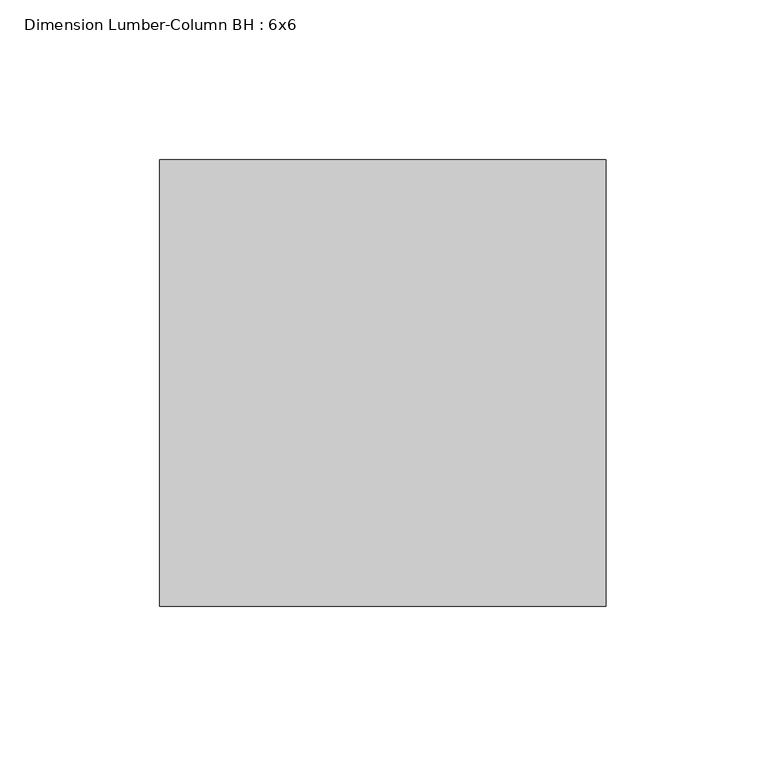
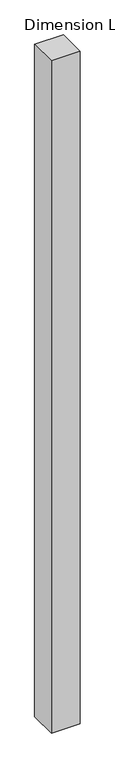
"""IFC4 building model written with IfcOpenShell, lengths in millimetres: column geometry, Dimension Lumber-Column BH : 6x6."""

import ifcopenshell
import ifcopenshell.guid

model = None  # the IFC model being written
_history = None  # IfcOwnerHistory: only IFC2X3 demands one
_inside = {}  # id of a spatial element -> (the spatial element, [elements in it])
_under = {}  # id of a project, library or spatial element -> (it, [spatial elements below it])
_declared = {}  # id of a project -> (the project, [libraries it declares])
_typed = {}  # id of a type object -> (the type object, [elements of that type])
_made_of = {}  # id of a material, layer set ... -> (it, [elements and type objects made of it])


def new_model(schema):
    """Start an empty IFC model of exactly this schema.

    Asked for "IFC4X3", IfcOpenShell would pick the latest addendum, in which some entities
    have other attributes; the version numbers below select the first issue.
    IFC2X3 requires an IfcOwnerHistory on every rooted entity: one is made here for all.
    """
    global model, _history
    if schema == "IFC4X3":
        model = ifcopenshell.file(schema_version=(4, 3, 0, 0))
    else:
        model = ifcopenshell.file(schema=schema)
    _inside.clear()
    _under.clear()
    _declared.clear()
    _typed.clear()
    _made_of.clear()
    _history = None
    if model.schema == "IFC2X3":
        org = make("IfcOrganization", Name="unknown")
        user = make(
            "IfcPersonAndOrganization",
            ThePerson=make("IfcPerson", FamilyName="unknown"),
            TheOrganization=org,
        )
        app = make(
            "IfcApplication",
            ApplicationDeveloper=org,
            Version="unknown",
            ApplicationFullName="unknown",
            ApplicationIdentifier="unknown",
        )
        _history = make(
            "IfcOwnerHistory",
            OwningUser=user,
            OwningApplication=app,
            ChangeAction="ADDED",
            CreationDate=0,
        )
    return model


def make(cls, **values):
    """One entity of the class cls with the attributes given. An attribute that is None is left unset."""
    return model.create_entity(
        cls, **{name: value for name, value in values.items() if value is not None}
    )


def rooted(cls, **values):
    """An entity with a GlobalId (a new one), such as an element, a storey or a relation."""
    return make(cls, GlobalId=ifcopenshell.guid.new(), OwnerHistory=_history, **values)


def si_unit(unit_type, name, prefix=None):
    """IfcSIUnit, for example si_unit("LENGTHUNIT", "METRE", prefix="MILLI")."""
    return make("IfcSIUnit", UnitType=unit_type, Prefix=prefix, Name=name)


def assignment(units):
    """IfcUnitAssignment: the units of a project."""
    return None if units is None else make("IfcUnitAssignment", Units=units)


def point(xyz):
    """IfcCartesianPoint."""
    return None if xyz is None else make("IfcCartesianPoint", Coordinates=xyz)


def direction(xyz):
    """IfcDirection."""
    return None if xyz is None else make("IfcDirection", DirectionRatios=xyz)


def frame(location, z_axis=None, x_axis=None):
    """IfcAxis2Placement3D, a coordinate frame: its origin and axes. An axis left out is left unset."""
    return make(
        "IfcAxis2Placement3D",
        Location=point(location),
        Axis=direction(z_axis),
        RefDirection=direction(x_axis),
    )


def origin():
    """The frame at (0, 0, 0) with its axes left unset."""
    return frame((0.0, 0.0, 0.0))


def place(relative_to, where):
    """IfcLocalPlacement: puts the frame where relative to a parent placement (None: the world)."""
    return make(
        "IfcLocalPlacement", PlacementRelTo=relative_to, RelativePlacement=where
    )


def context(
    kind, dimensions, precision=None, world=None, true_north=None, identifier=None
):
    """IfcGeometricRepresentationContext, for example the 3D "Model" context."""
    return make(
        "IfcGeometricRepresentationContext",
        ContextIdentifier=identifier,
        ContextType=kind,
        CoordinateSpaceDimension=dimensions,
        Precision=precision,
        WorldCoordinateSystem=world,
        TrueNorth=true_north,
    )


def project(units=None, contexts=None):
    """IfcProject with its units and contexts."""
    return rooted(
        "IfcProject",
        Name="project",
        RepresentationContexts=contexts,
        UnitsInContext=assignment(units),
    )


def spatial(cls, under=None, at=None, **own):
    """A site, building, storey or space (cls), placed at a placement, below another one or the project."""
    s = rooted(cls, ObjectPlacement=at, **own)
    if under is not None:
        _under.setdefault(under.id(), (under, []))[1].append(s)
    return s


def polyline(points):
    """IfcPolyline through the points."""
    return make("IfcPolyline", Points=[point(p) for p in points])


def outline(outer, holes=None, kind="AREA"):
    """IfcArbitraryClosedProfileDef: a profile drawn as a closed curve; with holes, ...WithVoids."""
    if holes is None:
        return make("IfcArbitraryClosedProfileDef", ProfileType=kind, OuterCurve=outer)
    return make(
        "IfcArbitraryProfileDefWithVoids",
        ProfileType=kind,
        OuterCurve=outer,
        InnerCurves=holes,
    )


def extrude(swept, where, along, depth):
    """IfcExtrudedAreaSolid: the profile swept, set in the frame where, extruded along a direction by depth."""
    return make(
        "IfcExtrudedAreaSolid",
        SweptArea=swept,
        Position=where,
        ExtrudedDirection=direction(along),
        Depth=depth,
    )


def shape(context_of_items, identifier, shape_type, items):
    """IfcShapeRepresentation: the items that make up one representation, for example the "Body"."""
    return make(
        "IfcShapeRepresentation",
        ContextOfItems=context_of_items,
        RepresentationIdentifier=identifier,
        RepresentationType=shape_type,
        Items=items,
    )


def source(mapping_origin, context_of_items, identifier, shape_type, items):
    """IfcRepresentationMap: a shape defined once, which mapped items show again and again."""
    return make(
        "IfcRepresentationMap",
        MappingOrigin=mapping_origin,
        MappedRepresentation=shape(context_of_items, identifier, shape_type, items),
    )


def transform(
    local_origin,
    x_axis=None,
    y_axis=None,
    z_axis=None,
    scale=None,
    scale2=None,
    scale3=None,
    uniform=True,
):
    """IfcCartesianTransformationOperator3D, or its non-uniform kind. x_axis, y_axis, z_axis: its Axis1, 2, 3."""
    if uniform:
        return make(
            "IfcCartesianTransformationOperator3D",
            Axis1=direction(x_axis),
            Axis2=direction(y_axis),
            LocalOrigin=point(local_origin),
            Scale=scale,
            Axis3=direction(z_axis),
        )
    return make(
        "IfcCartesianTransformationOperator3DnonUniform",
        Axis1=direction(x_axis),
        Axis2=direction(y_axis),
        LocalOrigin=point(local_origin),
        Scale=scale,
        Axis3=direction(z_axis),
        Scale2=scale2,
        Scale3=scale3,
    )


def mapped(mapping_source, mapping_target):
    """IfcMappedItem: shows the shape of a source again, moved by a transform."""
    return make(
        "IfcMappedItem", MappingSource=mapping_source, MappingTarget=mapping_target
    )


def made_of(thing, what):
    """Note that an element or type object is made of a material, layer set ...; save() writes the relation."""
    if what is not None:
        _made_of.setdefault(what.id(), (what, []))[1].append(thing)
    return thing


def element(
    cls,
    number,
    at=None,
    inside=None,
    cuts=None,
    type_object=None,
    material=None,
    context=None,
    identifier="Body",
    shape_type=None,
    held_by="IfcProductDefinitionShape",
    body=None,
    shapes=None,
    **own,
):
    """One element of the class cls, such as IfcWall. Its Tag is "e" and its number.

    at: its placement. inside: the storey or other place that contains it. cuts: it is an
    opening in that element (IfcRelVoidsElement). A single representation is given by context,
    identifier, shape_type and body (its items); several are given by shapes. held_by: the class
    of the entity that holds the representations. save() writes the other relations.
    """
    e = rooted(cls, Tag="e%d" % number, ObjectPlacement=at, **own)
    if body is not None:
        shapes = [shape(context, identifier, shape_type, body)]
    if shapes is not None:
        e.Representation = make(held_by, Representations=shapes)
    if inside is not None:
        _inside.setdefault(inside.id(), (inside, []))[1].append(e)
    if cuts is not None:
        rooted(
            "IfcRelVoidsElement", RelatingBuildingElement=cuts, RelatedOpeningElement=e
        )
    if type_object is not None:
        _typed.setdefault(type_object.id(), (type_object, []))[1].append(e)
    return made_of(e, material)


def aggregate(whole, parts):
    """IfcRelAggregates: a whole, such as a stair, and the parts it consists of."""
    return rooted("IfcRelAggregates", RelatingObject=whole, RelatedObjects=parts)


def save(model, path):
    """Write the relations noted so far, then the file.

    IfcRelAggregates (storeys below a building ...), IfcRelContainedInSpatialStructure (elements
    in a storey), IfcRelDefinesByType, IfcRelAssociatesMaterial and IfcRelDeclares: one each for
    every whole, place, type object, material and project.
    """
    for whole, parts in _under.values():
        aggregate(whole, parts)
    for where, things in _inside.values():
        rooted(
            "IfcRelContainedInSpatialStructure",
            RelatedElements=things,
            RelatingStructure=where,
        )
    for kind, things in _typed.values():
        rooted("IfcRelDefinesByType", RelatedObjects=things, RelatingType=kind)
    for what, things in _made_of.values():
        rooted("IfcRelAssociatesMaterial", RelatedObjects=things, RelatingMaterial=what)
    for by, libraries in _declared.values():
        rooted("IfcRelDeclares", RelatingContext=by, RelatedDefinitions=libraries)
    model.write(path)


def dimension_lumber_column_bh_6x6_a1e1d36a(model_context):
    return source(origin(), model_context, "Body", "SweptSolid", [
        extrude(outline(polyline([(69.85, 69.85), (69.85, -69.85), (-69.85, -69.85), (-69.85, 69.85), (69.85, 69.85)])), frame((0.0, 0.0, -101.6), z_axis=(0.0, 0.0, 1.0), x_axis=(1.0, 0.0, 0.0)), (0.0, 0.0, 1.0), 3454.4),
    ])


if __name__ == "__main__":
    model = new_model("IFC4")
    model_context = context("Model", 3, world=origin())
    ifc_project = project(units=[si_unit("LENGTHUNIT", "METRE", prefix="MILLI")], contexts=[model_context])
    site = spatial("IfcSite", under=ifc_project)
    building = spatial("IfcBuilding", under=site)
    placement = place(None, origin())
    dimension_lumber_column_bh_6x6_shape = dimension_lumber_column_bh_6x6_a1e1d36a(model_context)
    element("IfcColumn", 1, ObjectType="Dimension Lumber-Column BH : 6x6", at=placement, inside=building, context=model_context, shape_type="MappedRepresentation", body=[
        mapped(dimension_lumber_column_bh_6x6_shape, transform((0.0, 0.0, 0.0), x_axis=(1.0, 0.0, 0.0), y_axis=(0.0, 1.0, 0.0), z_axis=(0.0, 0.0, 1.0))),
    ])
    save(model, "model.ifc")
